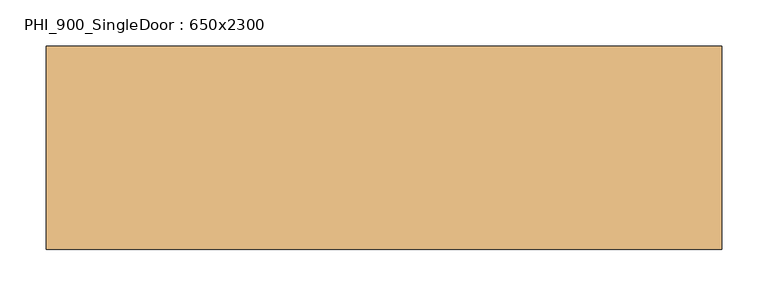
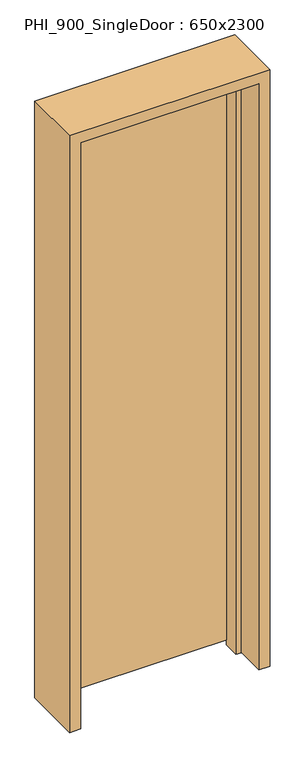
"""IFC4 building model written with IfcOpenShell, lengths in millimetres: door geometry, PHI_900_SingleDoor : 650x2300."""

from ifc_helpers import new_model, si_unit, frame, origin, place, context, project, spatial, polyline, outline, extrude, source, transform, mapped, element, save


def phi_900_singledoor_650x2300_84b8889c(model_context):
    return source(origin(), model_context, "Body", "SweptSolid", [
        extrude(outline(polyline([(323.0, 110.0), (323.0, 60.0), (-323.0, 60.0), (-323.0, 110.0), (323.0, 110.0)])), frame((0.0, 0.0, 20.0), z_axis=(0.0, 0.0, 1.0), x_axis=(1.0, 0.0, 0.0)), (0.0, 0.0, 1.0), 2238.0),
        extrude(outline(polyline([(2300.0, -365.0), (0.0, -365.0), (0.0, -325.0), (2260.0, -325.0), (2260.0, 325.0), (0.0, 325.0), (0.0, 365.0), (2300.0, 365.0), (2300.0, -365.0)])), frame((0.0, -110.0, 0.0), z_axis=(0.0, 1.0, 0.0), x_axis=(0.0, 0.0, 1.0)), (0.0, 0.0, 1.0), 220.0),
        extrude(outline(polyline([(2260.0, -325.0), (0.0, -325.0), (0.0, -305.0), (2240.0, -305.0), (2240.0, 305.0), (0.0, 305.0), (0.0, 325.0), (2260.0, 325.0), (2260.0, -325.0)])), frame((0.0, 0.0, 0.0), z_axis=(0.0, 1.0, 0.0), x_axis=(0.0, 0.0, 1.0)), (0.0, 0.0, 1.0), 60.0),
    ])


if __name__ == "__main__":
    model = new_model("IFC4")
    model_context = context("Model", 3, world=origin())
    ifc_project = project(units=[si_unit("LENGTHUNIT", "METRE", prefix="MILLI")], contexts=[model_context])
    site = spatial("IfcSite", under=ifc_project)
    building = spatial("IfcBuilding", under=site)
    placement = place(None, origin())
    phi_900_singledoor_650x2300_shape = phi_900_singledoor_650x2300_84b8889c(model_context)
    element("IfcDoor", 1, ObjectType="PHI_900_SingleDoor : 650x2300", at=placement, inside=building, context=model_context, shape_type="MappedRepresentation", body=[
        mapped(phi_900_singledoor_650x2300_shape, transform((0.0, 0.0, 0.0), x_axis=(1.0, 0.0, 0.0), y_axis=(0.0, 1.0, 0.0), z_axis=(0.0, 0.0, 1.0))),
    ])
    save(model, "model.ifc")
